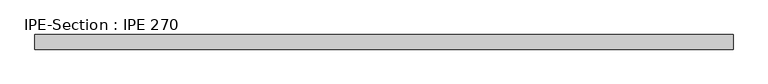
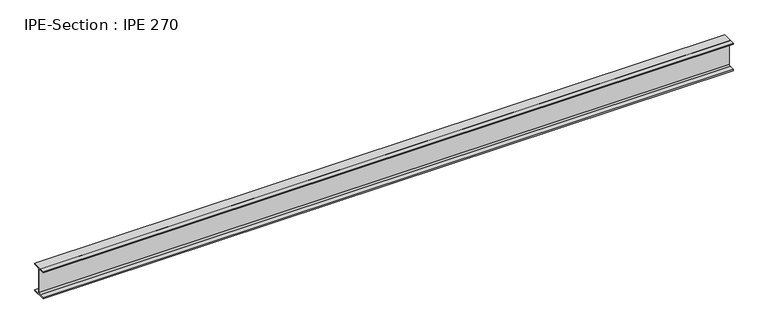
"""IFC4 building model written with IfcOpenShell, lengths in millimetres: beam geometry, IPE-Section : IPE 270."""

from ifc_helpers import new_model, si_unit, point, frame, frame_2d, origin, place, context, project, spatial, polyline, circle_curve, trimmed, segment, composite_curve, outline, extrude, source, transform, mapped, element, save


def ipe_section_ipe_270_68bb9e70(model_context):
    return source(origin(), model_context, "Body", "SweptSolid", [
        extrude(outline(composite_curve([segment(polyline([(67.5, -124.8), (67.5, -135.0), (-67.5, -135.0), (-67.5, -124.8), (-18.3, -124.8)]), True, "CONTINUOUS"), segment(trimmed(circle_curve(frame_2d((-18.3, -109.8)), 15.0), [point((-18.3, -124.8))], [point((-3.3, -109.8))], True, "CARTESIAN"), True, "CONTINUOUS"), segment(polyline([(-3.3, -109.8), (-3.3, 109.8)]), True, "CONTINUOUS"), segment(trimmed(circle_curve(frame_2d((-18.3, 109.8)), 15.0), [point((-3.3, 109.8))], [point((-18.3, 124.8))], True, "CARTESIAN"), True, "CONTINUOUS"), segment(polyline([(-18.3, 124.8), (-67.5, 124.8), (-67.5, 135.0), (67.5, 135.0), (67.5, 124.8), (18.3, 124.8)]), True, "CONTINUOUS"), segment(trimmed(circle_curve(frame_2d((18.3, 109.8)), 15.0), [point((18.3, 124.8))], [point((3.3, 109.8))], True, "CARTESIAN"), True, "CONTINUOUS"), segment(polyline([(3.3, 109.8), (3.3, -109.8)]), True, "CONTINUOUS"), segment(trimmed(circle_curve(frame_2d((18.3, -109.8)), 15.0), [point((3.3, -109.8))], [point((18.3, -124.8))], True, "CARTESIAN"), True, "CONTINUOUS"), segment(polyline([(18.3, -124.8), (67.5, -124.8)]), True, "CONTINUOUS")], self_intersect=False)), frame((-3221.0768137, 0.0, 0.0), z_axis=(1.0, 0.0, 0.0), x_axis=(0.0, 1.0, 0.0)), (0.0, 0.0, 1.0), 6450.7211177),
    ])


if __name__ == "__main__":
    model = new_model("IFC4")
    model_context = context("Model", 3, world=origin())
    ifc_project = project(units=[si_unit("LENGTHUNIT", "METRE", prefix="MILLI")], contexts=[model_context])
    site = spatial("IfcSite", under=ifc_project)
    building = spatial("IfcBuilding", under=site)
    placement = place(None, origin())
    ipe_section_ipe_270_shape = ipe_section_ipe_270_68bb9e70(model_context)
    element("IfcBeam", 1, ObjectType="IPE-Section : IPE 270", at=placement, inside=building, context=model_context, shape_type="MappedRepresentation", body=[
        mapped(ipe_section_ipe_270_shape, transform((0.0, 0.0, 0.0), x_axis=(1.0, 0.0, 0.0), y_axis=(0.0, 1.0, 0.0), z_axis=(0.0, 0.0, 1.0))),
    ])
    save(model, "model.ifc")
